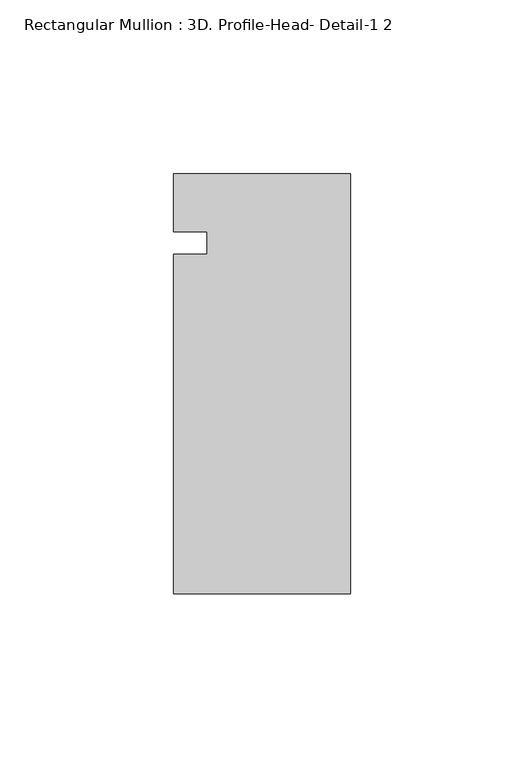
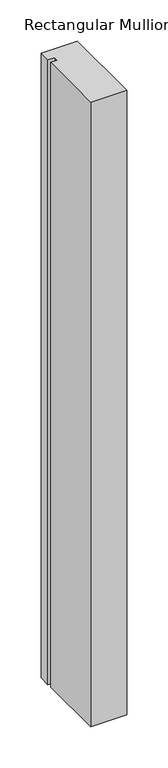
"""IFC4 building model written with IfcOpenShell, lengths in millimetres: member geometry, Rectangular Mullion : 3D. Profile-Head- Detail-1 2."""

from ifc_helpers import new_model, si_unit, frame, origin, place, context, project, spatial, polyline, outline, extrude, source, transform, mapped, element, save


def rectangular_mullion_3d_profile_head_detail_1_2_23a17657(model_context):
    return source(origin(), model_context, "Body", "SweptSolid", [
        extrude(outline(polyline([(0.0, -59.9711801), (-50.8, -59.9711801), (-50.8, 37.5487695), (-41.275, 37.5487695), (-41.275, 43.9875445), (-50.8, 43.9875445), (-50.8, 60.6788199), (0.0, 60.6788199), (0.0, -59.9711801)])), frame((0.0, 0.0, -928.5784616), z_axis=(0.0, 0.0, 1.0), x_axis=(1.0, 0.0, 0.0)), (0.0, 0.0, 1.0), 928.5784616),
    ])


if __name__ == "__main__":
    model = new_model("IFC4")
    model_context = context("Model", 3, world=origin())
    ifc_project = project(units=[si_unit("LENGTHUNIT", "METRE", prefix="MILLI")], contexts=[model_context])
    site = spatial("IfcSite", under=ifc_project)
    building = spatial("IfcBuilding", under=site)
    placement = place(None, origin())
    rectangular_mullion_3d_profile_head_detail_1_2_shape = rectangular_mullion_3d_profile_head_detail_1_2_23a17657(model_context)
    element("IfcMember", 1, ObjectType="Rectangular Mullion : 3D. Profile-Head- Detail-1 2", at=placement, inside=building, context=model_context, shape_type="MappedRepresentation", body=[
        mapped(rectangular_mullion_3d_profile_head_detail_1_2_shape, transform((0.0, 0.0, 0.0), x_axis=(1.0, 0.0, 0.0), y_axis=(0.0, 1.0, 0.0), z_axis=(0.0, 0.0, 1.0))),
    ])
    save(model, "model.ifc")
